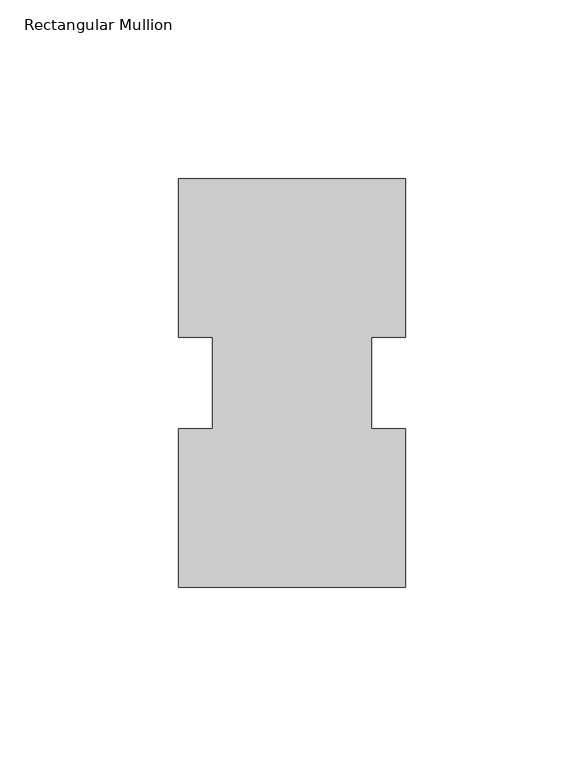
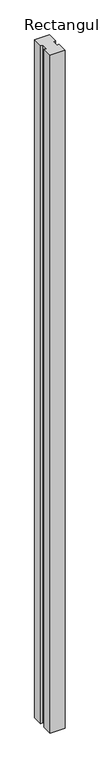
"""IFC4 building model written with IfcOpenShell, lengths in millimetres: member geometry, Rectangular Mullion."""

from ifc_helpers import new_model, si_unit, frame, origin, place, context, project, spatial, polyline, outline, extrude, source, transform, mapped, element, save


def rectangular_mullion_39652d43(model_context):
    return source(origin(), model_context, "Body", "SweptSolid", [
        extrude(outline(polyline([(31.75, 57.1498095), (31.75, 12.7548756), (22.225, 12.7548756), (22.225, -12.7328227), (31.75, -12.7328227), (31.75, -57.1501905), (-31.75, -57.1500635), (-31.75, -12.7328227), (-22.225, -12.7328227), (-22.225, 12.7548756), (-31.75, 12.7548756), (-31.75, 57.1499365), (31.75, 57.1498095)])), frame((0.0, 0.0, -3048.0), z_axis=(0.0, 0.0, 1.0), x_axis=(1.0, 0.0, 0.0)), (0.0, 0.0, 1.0), 3048.0),
    ])


if __name__ == "__main__":
    model = new_model("IFC4")
    model_context = context("Model", 3, world=origin())
    ifc_project = project(units=[si_unit("LENGTHUNIT", "METRE", prefix="MILLI")], contexts=[model_context])
    site = spatial("IfcSite", under=ifc_project)
    building = spatial("IfcBuilding", under=site)
    placement = place(None, origin())
    rectangular_mullion_shape = rectangular_mullion_39652d43(model_context)
    element("IfcMember", 1, ObjectType="Rectangular Mullion", at=placement, inside=building, context=model_context, shape_type="MappedRepresentation", body=[
        mapped(rectangular_mullion_shape, transform((0.0, 0.0, 0.0), x_axis=(1.0, 0.0, 0.0), y_axis=(0.0, 1.0, 0.0), z_axis=(0.0, 0.0, 1.0))),
    ])
    save(model, "model.ifc")
